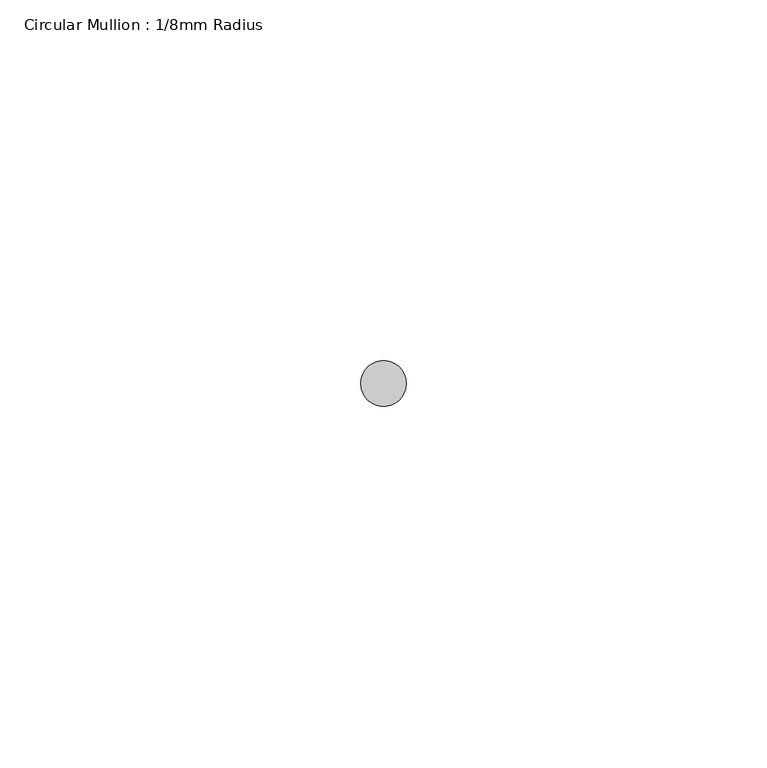
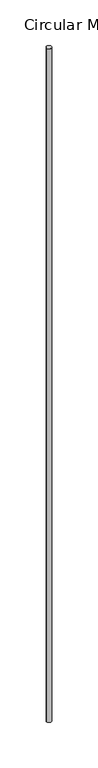
"""IFC4 building model written with IfcOpenShell, lengths in millimetres: member geometry, Circular Mullion : 1/8mm Radius."""

from ifc_helpers import new_model, si_unit, point, frame, origin, origin_2d, place, context, project, spatial, circle_curve, trimmed, segment, composite_curve, outline, extrude, source, transform, mapped, element, save


def circular_mullion_1_8mm_radius_99c6dfa7(model_context):
    return source(origin(), model_context, "Body", "SweptSolid", [
        extrude(outline(composite_curve([segment(trimmed(circle_curve(origin_2d(), 3.175), [point((3.175, 0.0))], [point((-3.175, 0.0))], False, "CARTESIAN"), True, "CONTINUOUS"), segment(trimmed(circle_curve(origin_2d(), 3.175), [point((-3.175, 0.0))], [point((3.175, 0.0))], False, "CARTESIAN"), True, "CONTINUOUS")], self_intersect=False)), frame((0.0, 0.0, -914.4), z_axis=(0.0, 0.0, 1.0), x_axis=(1.0, 0.0, 0.0)), (0.0, 0.0, 1.0), 914.4),
    ])


if __name__ == "__main__":
    model = new_model("IFC4")
    model_context = context("Model", 3, world=origin())
    ifc_project = project(units=[si_unit("LENGTHUNIT", "METRE", prefix="MILLI")], contexts=[model_context])
    site = spatial("IfcSite", under=ifc_project)
    building = spatial("IfcBuilding", under=site)
    placement = place(None, origin())
    circular_mullion_1_8mm_radius_shape = circular_mullion_1_8mm_radius_99c6dfa7(model_context)
    element("IfcMember", 1, ObjectType="Circular Mullion : 1/8mm Radius", at=placement, inside=building, context=model_context, shape_type="MappedRepresentation", body=[
        mapped(circular_mullion_1_8mm_radius_shape, transform((0.0, 0.0, 0.0), x_axis=(1.0, 0.0, 0.0), y_axis=(0.0, 1.0, 0.0), z_axis=(0.0, 0.0, 1.0))),
    ])
    save(model, "model.ifc")
